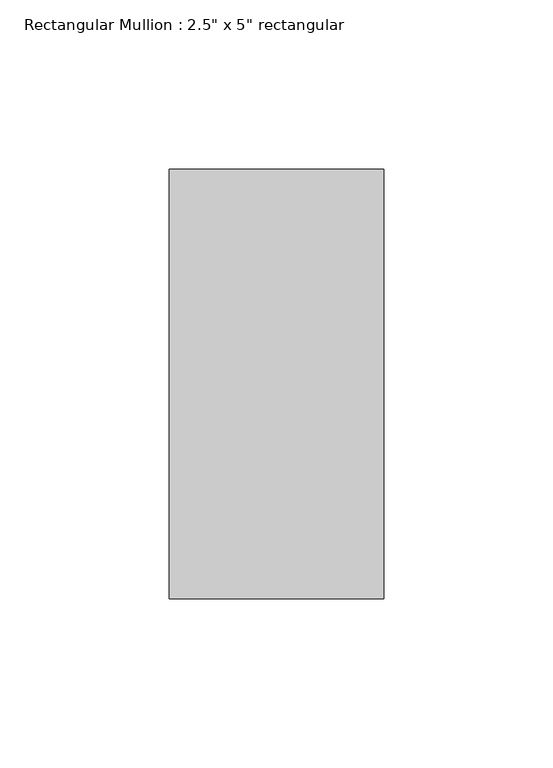
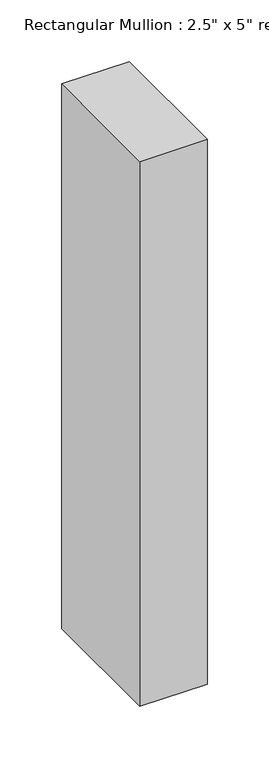
"""IFC4 building model written with IfcOpenShell, lengths in millimetres: member geometry."""

from ifc_helpers import new_model, si_unit, frame, origin, place, context, project, spatial, polyline, outline, extrude, source, transform, mapped, element, save


def member_e9f03d07(model_context):
    return source(origin(), model_context, "Body", "SweptSolid", [
        extrude(outline(polyline([(0.0, 63.5), (0.0, -63.5), (-63.5, -63.5), (-63.5, 63.5), (0.0, 63.5)])), frame((0.0, 0.0, -540.281477), z_axis=(0.0, 0.0, 1.0), x_axis=(1.0, 0.0, 0.0)), (0.0, 0.0, 1.0), 540.281477),
    ])


if __name__ == "__main__":
    model = new_model("IFC4")
    model_context = context("Model", 3, world=origin())
    ifc_project = project(units=[si_unit("LENGTHUNIT", "METRE", prefix="MILLI")], contexts=[model_context])
    site = spatial("IfcSite", under=ifc_project)
    building = spatial("IfcBuilding", under=site)
    placement = place(None, origin())
    member_shape = member_e9f03d07(model_context)
    element("IfcMember", 1, ObjectType="Rectangular Mullion : 2.5\" x 5\" rectangular", at=placement, inside=building, context=model_context, shape_type="MappedRepresentation", body=[
        mapped(member_shape, transform((0.0, 0.0, 0.0), x_axis=(1.0, 0.0, 0.0), y_axis=(0.0, 1.0, 0.0), z_axis=(0.0, 0.0, 1.0))),
    ])
    save(model, "model.ifc")
